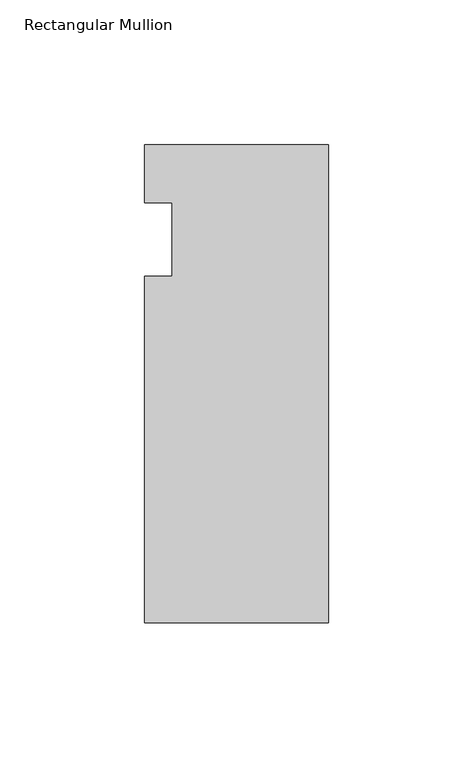
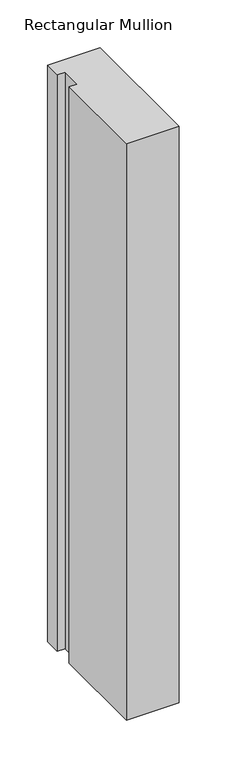
"""IFC4 building model written with IfcOpenShell, lengths in millimetres: member geometry, Rectangular Mullion."""

import ifcopenshell
import ifcopenshell.guid

model = None  # the IFC model being written
_history = None  # IfcOwnerHistory: only IFC2X3 demands one
_inside = {}  # id of a spatial element -> (the spatial element, [elements in it])
_under = {}  # id of a project, library or spatial element -> (it, [spatial elements below it])
_declared = {}  # id of a project -> (the project, [libraries it declares])
_typed = {}  # id of a type object -> (the type object, [elements of that type])
_made_of = {}  # id of a material, layer set ... -> (it, [elements and type objects made of it])


def new_model(schema):
    """Start an empty IFC model of exactly this schema.

    Asked for "IFC4X3", IfcOpenShell would pick the latest addendum, in which some entities
    have other attributes; the version numbers below select the first issue.
    IFC2X3 requires an IfcOwnerHistory on every rooted entity: one is made here for all.
    """
    global model, _history
    if schema == "IFC4X3":
        model = ifcopenshell.file(schema_version=(4, 3, 0, 0))
    else:
        model = ifcopenshell.file(schema=schema)
    _inside.clear()
    _under.clear()
    _declared.clear()
    _typed.clear()
    _made_of.clear()
    _history = None
    if model.schema == "IFC2X3":
        org = make("IfcOrganization", Name="unknown")
        user = make(
            "IfcPersonAndOrganization",
            ThePerson=make("IfcPerson", FamilyName="unknown"),
            TheOrganization=org,
        )
        app = make(
            "IfcApplication",
            ApplicationDeveloper=org,
            Version="unknown",
            ApplicationFullName="unknown",
            ApplicationIdentifier="unknown",
        )
        _history = make(
            "IfcOwnerHistory",
            OwningUser=user,
            OwningApplication=app,
            ChangeAction="ADDED",
            CreationDate=0,
        )
    return model


def make(cls, **values):
    """One entity of the class cls with the attributes given. An attribute that is None is left unset."""
    return model.create_entity(
        cls, **{name: value for name, value in values.items() if value is not None}
    )


def rooted(cls, **values):
    """An entity with a GlobalId (a new one), such as an element, a storey or a relation."""
    return make(cls, GlobalId=ifcopenshell.guid.new(), OwnerHistory=_history, **values)


def si_unit(unit_type, name, prefix=None):
    """IfcSIUnit, for example si_unit("LENGTHUNIT", "METRE", prefix="MILLI")."""
    return make("IfcSIUnit", UnitType=unit_type, Prefix=prefix, Name=name)


def assignment(units):
    """IfcUnitAssignment: the units of a project."""
    return None if units is None else make("IfcUnitAssignment", Units=units)


def point(xyz):
    """IfcCartesianPoint."""
    return None if xyz is None else make("IfcCartesianPoint", Coordinates=xyz)


def direction(xyz):
    """IfcDirection."""
    return None if xyz is None else make("IfcDirection", DirectionRatios=xyz)


def frame(location, z_axis=None, x_axis=None):
    """IfcAxis2Placement3D, a coordinate frame: its origin and axes. An axis left out is left unset."""
    return make(
        "IfcAxis2Placement3D",
        Location=point(location),
        Axis=direction(z_axis),
        RefDirection=direction(x_axis),
    )


def origin():
    """The frame at (0, 0, 0) with its axes left unset."""
    return frame((0.0, 0.0, 0.0))


def place(relative_to, where):
    """IfcLocalPlacement: puts the frame where relative to a parent placement (None: the world)."""
    return make(
        "IfcLocalPlacement", PlacementRelTo=relative_to, RelativePlacement=where
    )


def context(
    kind, dimensions, precision=None, world=None, true_north=None, identifier=None
):
    """IfcGeometricRepresentationContext, for example the 3D "Model" context."""
    return make(
        "IfcGeometricRepresentationContext",
        ContextIdentifier=identifier,
        ContextType=kind,
        CoordinateSpaceDimension=dimensions,
        Precision=precision,
        WorldCoordinateSystem=world,
        TrueNorth=true_north,
    )


def project(units=None, contexts=None):
    """IfcProject with its units and contexts."""
    return rooted(
        "IfcProject",
        Name="project",
        RepresentationContexts=contexts,
        UnitsInContext=assignment(units),
    )


def spatial(cls, under=None, at=None, **own):
    """A site, building, storey or space (cls), placed at a placement, below another one or the project."""
    s = rooted(cls, ObjectPlacement=at, **own)
    if under is not None:
        _under.setdefault(under.id(), (under, []))[1].append(s)
    return s


def polyline(points):
    """IfcPolyline through the points."""
    return make("IfcPolyline", Points=[point(p) for p in points])


def outline(outer, holes=None, kind="AREA"):
    """IfcArbitraryClosedProfileDef: a profile drawn as a closed curve; with holes, ...WithVoids."""
    if holes is None:
        return make("IfcArbitraryClosedProfileDef", ProfileType=kind, OuterCurve=outer)
    return make(
        "IfcArbitraryProfileDefWithVoids",
        ProfileType=kind,
        OuterCurve=outer,
        InnerCurves=holes,
    )


def extrude(swept, where, along, depth):
    """IfcExtrudedAreaSolid: the profile swept, set in the frame where, extruded along a direction by depth."""
    return make(
        "IfcExtrudedAreaSolid",
        SweptArea=swept,
        Position=where,
        ExtrudedDirection=direction(along),
        Depth=depth,
    )


def shape(context_of_items, identifier, shape_type, items):
    """IfcShapeRepresentation: the items that make up one representation, for example the "Body"."""
    return make(
        "IfcShapeRepresentation",
        ContextOfItems=context_of_items,
        RepresentationIdentifier=identifier,
        RepresentationType=shape_type,
        Items=items,
    )


def source(mapping_origin, context_of_items, identifier, shape_type, items):
    """IfcRepresentationMap: a shape defined once, which mapped items show again and again."""
    return make(
        "IfcRepresentationMap",
        MappingOrigin=mapping_origin,
        MappedRepresentation=shape(context_of_items, identifier, shape_type, items),
    )


def transform(
    local_origin,
    x_axis=None,
    y_axis=None,
    z_axis=None,
    scale=None,
    scale2=None,
    scale3=None,
    uniform=True,
):
    """IfcCartesianTransformationOperator3D, or its non-uniform kind. x_axis, y_axis, z_axis: its Axis1, 2, 3."""
    if uniform:
        return make(
            "IfcCartesianTransformationOperator3D",
            Axis1=direction(x_axis),
            Axis2=direction(y_axis),
            LocalOrigin=point(local_origin),
            Scale=scale,
            Axis3=direction(z_axis),
        )
    return make(
        "IfcCartesianTransformationOperator3DnonUniform",
        Axis1=direction(x_axis),
        Axis2=direction(y_axis),
        LocalOrigin=point(local_origin),
        Scale=scale,
        Axis3=direction(z_axis),
        Scale2=scale2,
        Scale3=scale3,
    )


def mapped(mapping_source, mapping_target):
    """IfcMappedItem: shows the shape of a source again, moved by a transform."""
    return make(
        "IfcMappedItem", MappingSource=mapping_source, MappingTarget=mapping_target
    )


def made_of(thing, what):
    """Note that an element or type object is made of a material, layer set ...; save() writes the relation."""
    if what is not None:
        _made_of.setdefault(what.id(), (what, []))[1].append(thing)
    return thing


def element(
    cls,
    number,
    at=None,
    inside=None,
    cuts=None,
    type_object=None,
    material=None,
    context=None,
    identifier="Body",
    shape_type=None,
    held_by="IfcProductDefinitionShape",
    body=None,
    shapes=None,
    **own,
):
    """One element of the class cls, such as IfcWall. Its Tag is "e" and its number.

    at: its placement. inside: the storey or other place that contains it. cuts: it is an
    opening in that element (IfcRelVoidsElement). A single representation is given by context,
    identifier, shape_type and body (its items); several are given by shapes. held_by: the class
    of the entity that holds the representations. save() writes the other relations.
    """
    e = rooted(cls, Tag="e%d" % number, ObjectPlacement=at, **own)
    if body is not None:
        shapes = [shape(context, identifier, shape_type, body)]
    if shapes is not None:
        e.Representation = make(held_by, Representations=shapes)
    if inside is not None:
        _inside.setdefault(inside.id(), (inside, []))[1].append(e)
    if cuts is not None:
        rooted(
            "IfcRelVoidsElement", RelatingBuildingElement=cuts, RelatedOpeningElement=e
        )
    if type_object is not None:
        _typed.setdefault(type_object.id(), (type_object, []))[1].append(e)
    return made_of(e, material)


def aggregate(whole, parts):
    """IfcRelAggregates: a whole, such as a stair, and the parts it consists of."""
    return rooted("IfcRelAggregates", RelatingObject=whole, RelatedObjects=parts)


def save(model, path):
    """Write the relations noted so far, then the file.

    IfcRelAggregates (storeys below a building ...), IfcRelContainedInSpatialStructure (elements
    in a storey), IfcRelDefinesByType, IfcRelAssociatesMaterial and IfcRelDeclares: one each for
    every whole, place, type object, material and project.
    """
    for whole, parts in _under.values():
        aggregate(whole, parts)
    for where, things in _inside.values():
        rooted(
            "IfcRelContainedInSpatialStructure",
            RelatedElements=things,
            RelatingStructure=where,
        )
    for kind, things in _typed.values():
        rooted("IfcRelDefinesByType", RelatedObjects=things, RelatingType=kind)
    for what, things in _made_of.values():
        rooted("IfcRelAssociatesMaterial", RelatedObjects=things, RelatingMaterial=what)
    for by, libraries in _declared.values():
        rooted("IfcRelDeclares", RelatingContext=by, RelatedDefinitions=libraries)
    model.write(path)


def rectangular_mullion_279d9a45(model_context):
    return source(origin(), model_context, "Body", "SweptSolid", [
        extrude(outline(polyline([(-63.5, 20.0421875), (0.0, 20.0421875), (0.0, -145.0578125), (-63.5, -145.0578125), (-63.5, -25.4), (-53.975, -25.4), (-53.975, 0.0), (-63.5, 0.0), (-63.5, 20.0421875)])), frame((0.0, 0.0, -736.6), z_axis=(0.0, 0.0, 1.0), x_axis=(1.0, 0.0, 0.0)), (0.0, 0.0, 1.0), 736.6),
    ])


if __name__ == "__main__":
    model = new_model("IFC4")
    model_context = context("Model", 3, world=origin())
    ifc_project = project(units=[si_unit("LENGTHUNIT", "METRE", prefix="MILLI")], contexts=[model_context])
    site = spatial("IfcSite", under=ifc_project)
    building = spatial("IfcBuilding", under=site)
    placement = place(None, origin())
    rectangular_mullion_shape = rectangular_mullion_279d9a45(model_context)
    element("IfcMember", 1, ObjectType="Rectangular Mullion", at=placement, inside=building, context=model_context, shape_type="MappedRepresentation", body=[
        mapped(rectangular_mullion_shape, transform((0.0, 0.0, 0.0), x_axis=(1.0, 0.0, 0.0), y_axis=(0.0, 1.0, 0.0), z_axis=(0.0, 0.0, 1.0))),
    ])
    save(model, "model.ifc")
